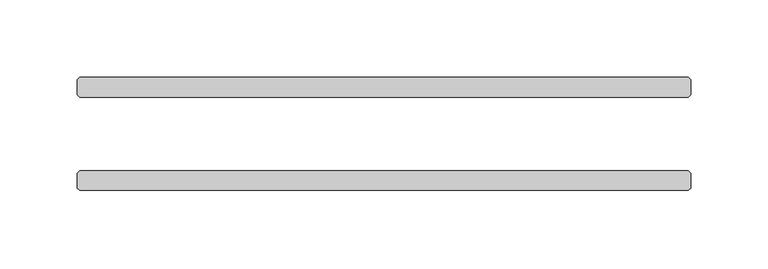
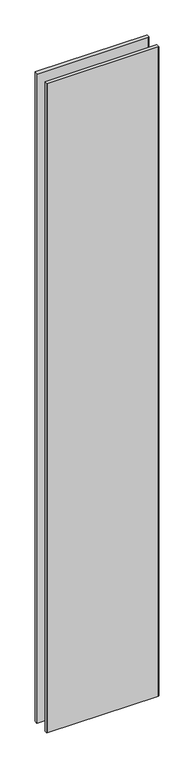
"""IFC4 building model written with IfcOpenShell, lengths in millimetres: plate geometry."""

import ifcopenshell
import ifcopenshell.guid

model = None  # the IFC model being written
_history = None  # IfcOwnerHistory: only IFC2X3 demands one
_inside = {}  # id of a spatial element -> (the spatial element, [elements in it])
_under = {}  # id of a project, library or spatial element -> (it, [spatial elements below it])
_declared = {}  # id of a project -> (the project, [libraries it declares])
_typed = {}  # id of a type object -> (the type object, [elements of that type])
_made_of = {}  # id of a material, layer set ... -> (it, [elements and type objects made of it])


def new_model(schema):
    """Start an empty IFC model of exactly this schema.

    Asked for "IFC4X3", IfcOpenShell would pick the latest addendum, in which some entities
    have other attributes; the version numbers below select the first issue.
    IFC2X3 requires an IfcOwnerHistory on every rooted entity: one is made here for all.
    """
    global model, _history
    if schema == "IFC4X3":
        model = ifcopenshell.file(schema_version=(4, 3, 0, 0))
    else:
        model = ifcopenshell.file(schema=schema)
    _inside.clear()
    _under.clear()
    _declared.clear()
    _typed.clear()
    _made_of.clear()
    _history = None
    if model.schema == "IFC2X3":
        org = make("IfcOrganization", Name="unknown")
        user = make(
            "IfcPersonAndOrganization",
            ThePerson=make("IfcPerson", FamilyName="unknown"),
            TheOrganization=org,
        )
        app = make(
            "IfcApplication",
            ApplicationDeveloper=org,
            Version="unknown",
            ApplicationFullName="unknown",
            ApplicationIdentifier="unknown",
        )
        _history = make(
            "IfcOwnerHistory",
            OwningUser=user,
            OwningApplication=app,
            ChangeAction="ADDED",
            CreationDate=0,
        )
    return model


def make(cls, **values):
    """One entity of the class cls with the attributes given. An attribute that is None is left unset."""
    return model.create_entity(
        cls, **{name: value for name, value in values.items() if value is not None}
    )


def rooted(cls, **values):
    """An entity with a GlobalId (a new one), such as an element, a storey or a relation."""
    return make(cls, GlobalId=ifcopenshell.guid.new(), OwnerHistory=_history, **values)


def si_unit(unit_type, name, prefix=None):
    """IfcSIUnit, for example si_unit("LENGTHUNIT", "METRE", prefix="MILLI")."""
    return make("IfcSIUnit", UnitType=unit_type, Prefix=prefix, Name=name)


def assignment(units):
    """IfcUnitAssignment: the units of a project."""
    return None if units is None else make("IfcUnitAssignment", Units=units)


def point(xyz):
    """IfcCartesianPoint."""
    return None if xyz is None else make("IfcCartesianPoint", Coordinates=xyz)


def direction(xyz):
    """IfcDirection."""
    return None if xyz is None else make("IfcDirection", DirectionRatios=xyz)


def frame(location, z_axis=None, x_axis=None):
    """IfcAxis2Placement3D, a coordinate frame: its origin and axes. An axis left out is left unset."""
    return make(
        "IfcAxis2Placement3D",
        Location=point(location),
        Axis=direction(z_axis),
        RefDirection=direction(x_axis),
    )


def origin():
    """The frame at (0, 0, 0) with its axes left unset."""
    return frame((0.0, 0.0, 0.0))


def origin_with_axes():
    """The frame at (0, 0, 0) with the z axis (0, 0, 1) and the x axis (1, 0, 0) written out."""
    return frame((0.0, 0.0, 0.0), z_axis=(0.0, 0.0, 1.0), x_axis=(1.0, 0.0, 0.0))


def place(relative_to, where):
    """IfcLocalPlacement: puts the frame where relative to a parent placement (None: the world)."""
    return make(
        "IfcLocalPlacement", PlacementRelTo=relative_to, RelativePlacement=where
    )


def context(
    kind, dimensions, precision=None, world=None, true_north=None, identifier=None
):
    """IfcGeometricRepresentationContext, for example the 3D "Model" context."""
    return make(
        "IfcGeometricRepresentationContext",
        ContextIdentifier=identifier,
        ContextType=kind,
        CoordinateSpaceDimension=dimensions,
        Precision=precision,
        WorldCoordinateSystem=world,
        TrueNorth=true_north,
    )


def project(units=None, contexts=None):
    """IfcProject with its units and contexts."""
    return rooted(
        "IfcProject",
        Name="project",
        RepresentationContexts=contexts,
        UnitsInContext=assignment(units),
    )


def spatial(cls, under=None, at=None, **own):
    """A site, building, storey or space (cls), placed at a placement, below another one or the project."""
    s = rooted(cls, ObjectPlacement=at, **own)
    if under is not None:
        _under.setdefault(under.id(), (under, []))[1].append(s)
    return s


def polyline(points):
    """IfcPolyline through the points."""
    return make("IfcPolyline", Points=[point(p) for p in points])


def outline(outer, holes=None, kind="AREA"):
    """IfcArbitraryClosedProfileDef: a profile drawn as a closed curve; with holes, ...WithVoids."""
    if holes is None:
        return make("IfcArbitraryClosedProfileDef", ProfileType=kind, OuterCurve=outer)
    return make(
        "IfcArbitraryProfileDefWithVoids",
        ProfileType=kind,
        OuterCurve=outer,
        InnerCurves=holes,
    )


def extrude(swept, where, along, depth):
    """IfcExtrudedAreaSolid: the profile swept, set in the frame where, extruded along a direction by depth."""
    return make(
        "IfcExtrudedAreaSolid",
        SweptArea=swept,
        Position=where,
        ExtrudedDirection=direction(along),
        Depth=depth,
    )


def shape(context_of_items, identifier, shape_type, items):
    """IfcShapeRepresentation: the items that make up one representation, for example the "Body"."""
    return make(
        "IfcShapeRepresentation",
        ContextOfItems=context_of_items,
        RepresentationIdentifier=identifier,
        RepresentationType=shape_type,
        Items=items,
    )


def source(mapping_origin, context_of_items, identifier, shape_type, items):
    """IfcRepresentationMap: a shape defined once, which mapped items show again and again."""
    return make(
        "IfcRepresentationMap",
        MappingOrigin=mapping_origin,
        MappedRepresentation=shape(context_of_items, identifier, shape_type, items),
    )


def transform(
    local_origin,
    x_axis=None,
    y_axis=None,
    z_axis=None,
    scale=None,
    scale2=None,
    scale3=None,
    uniform=True,
):
    """IfcCartesianTransformationOperator3D, or its non-uniform kind. x_axis, y_axis, z_axis: its Axis1, 2, 3."""
    if uniform:
        return make(
            "IfcCartesianTransformationOperator3D",
            Axis1=direction(x_axis),
            Axis2=direction(y_axis),
            LocalOrigin=point(local_origin),
            Scale=scale,
            Axis3=direction(z_axis),
        )
    return make(
        "IfcCartesianTransformationOperator3DnonUniform",
        Axis1=direction(x_axis),
        Axis2=direction(y_axis),
        LocalOrigin=point(local_origin),
        Scale=scale,
        Axis3=direction(z_axis),
        Scale2=scale2,
        Scale3=scale3,
    )


def mapped(mapping_source, mapping_target):
    """IfcMappedItem: shows the shape of a source again, moved by a transform."""
    return make(
        "IfcMappedItem", MappingSource=mapping_source, MappingTarget=mapping_target
    )


def made_of(thing, what):
    """Note that an element or type object is made of a material, layer set ...; save() writes the relation."""
    if what is not None:
        _made_of.setdefault(what.id(), (what, []))[1].append(thing)
    return thing


def element(
    cls,
    number,
    at=None,
    inside=None,
    cuts=None,
    type_object=None,
    material=None,
    context=None,
    identifier="Body",
    shape_type=None,
    held_by="IfcProductDefinitionShape",
    body=None,
    shapes=None,
    **own,
):
    """One element of the class cls, such as IfcWall. Its Tag is "e" and its number.

    at: its placement. inside: the storey or other place that contains it. cuts: it is an
    opening in that element (IfcRelVoidsElement). A single representation is given by context,
    identifier, shape_type and body (its items); several are given by shapes. held_by: the class
    of the entity that holds the representations. save() writes the other relations.
    """
    e = rooted(cls, Tag="e%d" % number, ObjectPlacement=at, **own)
    if body is not None:
        shapes = [shape(context, identifier, shape_type, body)]
    if shapes is not None:
        e.Representation = make(held_by, Representations=shapes)
    if inside is not None:
        _inside.setdefault(inside.id(), (inside, []))[1].append(e)
    if cuts is not None:
        rooted(
            "IfcRelVoidsElement", RelatingBuildingElement=cuts, RelatedOpeningElement=e
        )
    if type_object is not None:
        _typed.setdefault(type_object.id(), (type_object, []))[1].append(e)
    return made_of(e, material)


def aggregate(whole, parts):
    """IfcRelAggregates: a whole, such as a stair, and the parts it consists of."""
    return rooted("IfcRelAggregates", RelatingObject=whole, RelatedObjects=parts)


def save(model, path):
    """Write the relations noted so far, then the file.

    IfcRelAggregates (storeys below a building ...), IfcRelContainedInSpatialStructure (elements
    in a storey), IfcRelDefinesByType, IfcRelAssociatesMaterial and IfcRelDeclares: one each for
    every whole, place, type object, material and project.
    """
    for whole, parts in _under.values():
        aggregate(whole, parts)
    for where, things in _inside.values():
        rooted(
            "IfcRelContainedInSpatialStructure",
            RelatedElements=things,
            RelatingStructure=where,
        )
    for kind, things in _typed.values():
        rooted("IfcRelDefinesByType", RelatedObjects=things, RelatingType=kind)
    for what, things in _made_of.values():
        rooted("IfcRelAssociatesMaterial", RelatedObjects=things, RelatingMaterial=what)
    for by, libraries in _declared.values():
        rooted("IfcRelDeclares", RelatingContext=by, RelatedDefinitions=libraries)
    model.write(path)


def plate_d6d6e380(model_context):
    return source(origin(), model_context, "Body", "SweptSolid", [
        extrude(outline(polyline([(196.453125, -23.8125), (198.040625, -25.4), (198.040625, -34.925), (196.453125, -36.5125), (-196.453125, -36.5125), (-198.040625, -34.925), (-198.040625, -25.4), (-196.453125, -23.8125), (196.453125, -23.8125)])), origin_with_axes(), (0.0, 0.0, 1.0), 2417.7625023),
        extrude(outline(polyline([(196.453125, 36.5125), (198.040625, 34.925), (198.040625, 25.4), (196.453125, 23.8125), (-196.453125, 23.8125), (-198.040625, 25.4), (-198.040625, 34.925), (-196.453125, 36.5125), (196.453125, 36.5125)])), origin_with_axes(), (0.0, 0.0, 1.0), 2417.7625023),
    ])


if __name__ == "__main__":
    model = new_model("IFC4")
    model_context = context("Model", 3, world=origin())
    ifc_project = project(units=[si_unit("LENGTHUNIT", "METRE", prefix="MILLI")], contexts=[model_context])
    site = spatial("IfcSite", under=ifc_project)
    building = spatial("IfcBuilding", under=site)
    placement = place(None, origin())
    plate_shape = plate_d6d6e380(model_context)
    element("IfcPlate", 1, at=placement, inside=building, context=model_context, shape_type="MappedRepresentation", body=[
        mapped(plate_shape, transform((0.0, 0.0, 0.0), x_axis=(1.0, 0.0, 0.0), y_axis=(0.0, 1.0, 0.0), z_axis=(0.0, 0.0, 1.0))),
    ])
    save(model, "model.ifc")
